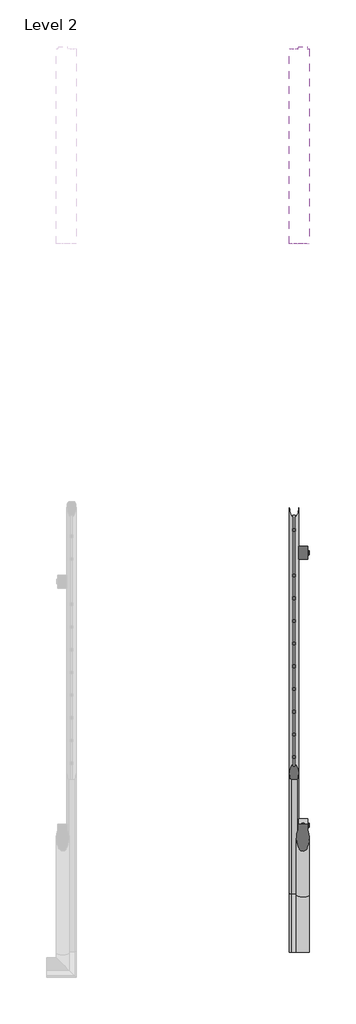
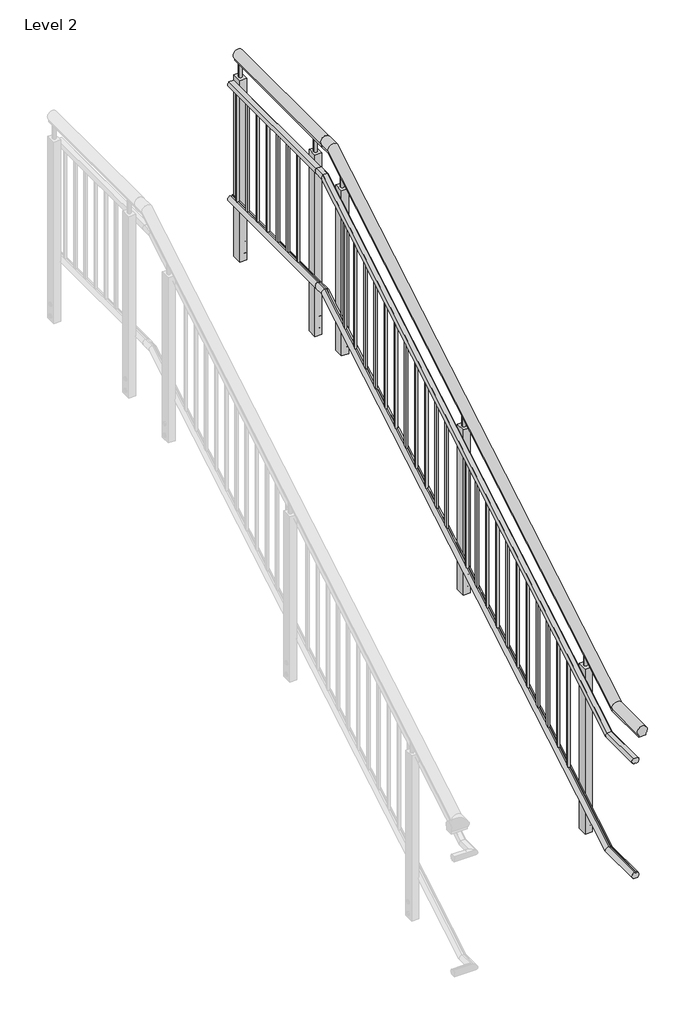
# One storey, part 4 of 7: 2 railings.
"""IFC4 building model written with IfcOpenShell, lengths in millimetres."""

from ifc_helpers import new_model, si_unit, point, frame, frame_2d, origin, place, context, project, spatial, polyline, circle_curve, ellipse_curve, trimmed, segment, composite_curve, outline, extrude, element, save
from ifc_brep_helpers import plane_surface, cylinder_surface, advanced_brep

model = new_model("IFC4")

# Units and contexts
model_context = context("Model", 3, world=origin())
ifc_project = project(units=[si_unit("LENGTHUNIT", "METRE", prefix="MILLI")], contexts=[model_context])

# Site, building, storey
site = spatial("IfcSite", under=ifc_project)
building = spatial("IfcBuilding", under=site)
storey = spatial("IfcBuildingStorey", under=building, Name="Level 2", Elevation=4000.0)

# Railings
placement = place(None, origin())
element("IfcRailing", 1, ObjectType="MT_Common stair with Balustrade_Level 3_Left", at=placement, inside=storey, context=model_context, shape_type="SolidModel", body=[
    advanced_brep(
    [(-7572.7617574, -13218.2332568, 5032.4599864), (-7614.4617574, -13218.2332568, 5032.4599864), (-7614.4617574, -13218.2332568, 5019.6542542), (-7572.7617574, -13218.2332568, 5019.6542542), (-7572.7617574, -12962.3792563, 5032.4599864), (-7614.4617574, -12962.3792563, 5032.4599864), (-7614.4617574, -12958.8717811, 5019.6542542), (-7572.7617574, -12958.8717811, 5019.6542542), (-7572.7617574, -10098.2332568, 6690.8057322), (-7572.7617574, -10098.2332568, 6678.0), (-7614.4617574, -10098.2332568, 6678.0), (-7614.4617574, -10098.2332568, 6690.8057322), (-7614.4617574, -10162.192754, 6690.8057322), (-7572.7617574, -10162.192754, 6690.8057322), (-7614.4617574, -10158.6852788, 6678.0), (-7572.7617574, -10158.6852788, 6678.0)],
    [
        (0, 1, circle_curve(frame((-7593.6117574, -13218.2332568, 5051.6542542), z_axis=(0.0, -1.0, 0.0), x_axis=(-1.0, 0.0, 0.0)), 28.3397674)),
        (1, 2),
        (2, 3),
        (3, 0),
        (0, 4),
        (4, 5, ellipse_curve(frame((-7593.6117574, -12967.6365441, 5051.6542542), z_axis=(0.0, -0.964476413803478, -0.2641689747430272), x_axis=(0.0, -0.2641689747430272, 0.9644764138034779)), 29.3835775, 28.3397674)),
        (5, 1),
        (5, 6),
        (6, 2),
        (6, 7),
        (7, 3),
        (7, 4),
        (8, 9),
        (9, 10),
        (10, 11),
        (11, 8, circle_curve(frame((-7593.6117574, -10098.2332568, 6710.0), z_axis=(0.0, 1.0, 0.0), x_axis=(-1.0, 0.0, 0.0)), 28.3397674)),
        (12, 13, ellipse_curve(frame((-7593.6117574, -10167.4500418, 6710.0), z_axis=(0.0, 0.964476413803478, 0.2641689747430272), x_axis=(0.0, -0.2641689747430272, 0.9644764138034779)), 29.3835775, 28.3397674)),
        (13, 8),
        (11, 12),
        (14, 12),
        (10, 14),
        (15, 14),
        (9, 15),
        (13, 15),
        (4, 13),
        (12, 5),
        (14, 6),
        (15, 7),
    ],
    [
        plane_surface(frame((-7593.6117574, -13218.2332568, 5019.6542542), z_axis=(0.0, -1.0, 0.0), x_axis=(0.0, 0.0, 1.0))),
        cylinder_surface(frame((-7593.6117574, -13218.2332568, 5051.6542542), z_axis=(0.0, -1.0, 0.0), x_axis=(-1.0, 0.0, 0.0)), 28.3397674),
        plane_surface(frame((-7614.4617574, -13218.2332568, 5032.4599864), z_axis=(-1.0, 0.0, 0.0), x_axis=(0.0, 1.0, 0.0))),
        plane_surface(frame((-7614.4617574, -13218.2332568, 5019.6542542), z_axis=(0.0, 0.0, -1.0), x_axis=(0.0, 1.0, 0.0))),
        plane_surface(frame((-7572.7617574, -13218.2332568, 5019.6542542), z_axis=(1.0, 0.0, 0.0), x_axis=(0.0, 1.0, 0.0))),
        plane_surface(frame((-7593.6117574, -10098.2332568, 6678.0), z_axis=(0.0, 1.0, 0.0), x_axis=(0.0, 0.0, 1.0))),
        cylinder_surface(frame((-7593.6117574, -10158.6852788, 6710.0), z_axis=(0.0, -1.0, 0.0), x_axis=(-1.0, 0.0, 0.0)), 28.3397674),
        plane_surface(frame((-7614.4617574, -10162.192754, 6690.8057322), z_axis=(-1.0, 0.0, 0.0), x_axis=(0.0, 1.0, 0.0))),
        plane_surface(frame((-7614.4617574, -10158.6852788, 6678.0), z_axis=(0.0, 0.0, -1.0), x_axis=(0.0, 1.0, 0.0))),
        plane_surface(frame((-7572.7617574, -10158.6852788, 6678.0), z_axis=(1.0, 0.0, 0.0), x_axis=(0.0, 1.0, 0.0))),
        cylinder_surface(frame((-7593.6117574, -12975.1780048, 5047.1879984), z_axis=(0.0, -0.8604295055664357, -0.5095694907965929), x_axis=(-1.0, 0.0, 0.0)), 28.3397674),
        plane_surface(frame((-7614.4617574, -12962.3792563, 5032.4599864), z_axis=(-1.0, 0.0, 0.0), x_axis=(0.0, 0.8604295055664357, 0.5095694907965929))),
        plane_surface(frame((-7614.4617574, -12958.8717811, 5019.6542542), z_axis=(0.0, 0.5095694907965929, -0.8604295055664357), x_axis=(0.0, 0.8604295055664357, 0.5095694907965929))),
        plane_surface(frame((-7572.7617574, -12958.8717811, 5019.6542542), z_axis=(1.0, 0.0, 0.0), x_axis=(0.0, 0.8604295055664357, 0.5095694907965929))),
    ],
    [
        (0, [[1, 2, 3, 4]]),
        (1, [[-1, 5, 6, 7]]),
        (2, [[-2, -7, 8, 9]]),
        (3, [[-3, -9, 10, 11]]),
        (4, [[-4, -11, 12, -5]]),
        (5, [[13, 14, 15, 16]]),
        (6, [[17, 18, -16, 19]]),
        (7, [[20, -19, -15, 21]]),
        (8, [[22, -21, -14, 23]]),
        (9, [[24, -23, -13, -18]]),
        (10, [[-6, 25, -17, 26]]),
        (11, [[-8, -26, -20, 27]]),
        (12, [[-10, -27, -22, 28]]),
        (13, [[-12, -28, -24, -25]]),
    ],
),
    advanced_brep(
    [(-7638.8279022, -10098.2332568, 6525.9454038), (-7645.9802814, -10098.2332568, 6560.0), (-7619.5227683, -10098.2332568, 6560.0), (-7627.2453076, -10098.2332568, 6525.7728949), (-7627.2453076, -10098.2332568, 6530.0), (-7638.8279022, -10098.2332568, 6530.0), (-7638.8279022, -10153.4662469, 6525.9454038), (-7645.9802814, -10162.7937614, 6560.0), (-7619.5227683, -10162.7937614, 6560.0), (-7627.2453076, -10153.4189969, 6525.7728949), (-7627.2453076, -10154.5767961, 6530.0), (-7638.8279022, -10154.5767961, 6530.0), (-7638.8279022, -13218.2332568, 4867.599658), (-7638.8279022, -13218.2332568, 4871.6542542), (-7627.2453076, -13218.2332568, 4871.6542542), (-7627.2453076, -13218.2332568, 4867.4271491), (-7619.5227683, -13218.2332568, 4901.6542542), (-7645.9802814, -13218.2332568, 4901.6542542), (-7638.8279022, -12953.6527492, 4867.599658), (-7638.8279022, -12954.7632984, 4871.6542542), (-7627.2453076, -12954.7632984, 4871.6542542), (-7627.2453076, -12953.6054992, 4867.4271491), (-7619.5227683, -12962.9802637, 4901.6542542), (-7645.9802814, -12962.9802637, 4901.6542542)],
    [
        (0, 1, circle_curve(frame((-7632.7515248, -10098.2332568, 6545.0), z_axis=(0.0, 1.0, 0.0), x_axis=(0.0, 0.0, 1.0)), 20.0)),
        (1, 2),
        (2, 3, circle_curve(frame((-7632.7515248, -10098.2332568, 6545.0), z_axis=(0.0, 1.0, 0.0), x_axis=(0.0, 0.0, 1.0)), 20.0)),
        (3, 4),
        (4, 5),
        (5, 0),
        (6, 7, ellipse_curve(frame((-7632.7515248, -10158.6852788, 6545.0), z_axis=(0.0, 0.964476413803478, 0.2641689747430272), x_axis=(0.0, -0.2641689747430272, 0.9644764138034779)), 20.7366398, 20.0)),
        (7, 1),
        (0, 6),
        (7, 8),
        (8, 2),
        (8, 9, ellipse_curve(frame((-7632.7515248, -10158.6852788, 6545.0), z_axis=(0.0, 0.964476413803478, 0.2641689747430272), x_axis=(0.0, -0.2641689747430272, 0.9644764138034779)), 20.7366398, 20.0)),
        (9, 3),
        (9, 10),
        (10, 4),
        (10, 11),
        (11, 5),
        (11, 6),
        (12, 13),
        (13, 14),
        (14, 15),
        (15, 16, circle_curve(frame((-7632.7515248, -13218.2332568, 4886.6542542), z_axis=(0.0, -1.0, 0.0), x_axis=(0.0, 0.0, 1.0)), 20.0)),
        (16, 17),
        (17, 12, circle_curve(frame((-7632.7515248, -13218.2332568, 4886.6542542), z_axis=(0.0, -1.0, 0.0), x_axis=(0.0, 0.0, 1.0)), 20.0)),
        (12, 18),
        (18, 19),
        (19, 13),
        (19, 20),
        (20, 14),
        (20, 21),
        (21, 15),
        (21, 22, ellipse_curve(frame((-7632.7515248, -12958.8717811, 4886.6542542), z_axis=(0.0, -0.964476413803478, -0.2641689747430272), x_axis=(0.0, -0.2641689747430272, 0.9644764138034779)), 20.7366398, 20.0)),
        (22, 16),
        (22, 23),
        (23, 17),
        (23, 18, ellipse_curve(frame((-7632.7515248, -12958.8717811, 4886.6542542), z_axis=(0.0, -0.964476413803478, -0.2641689747430272), x_axis=(0.0, -0.2641689747430272, 0.9644764138034779)), 20.7366398, 20.0)),
        (18, 6),
        (11, 19),
        (10, 20),
        (9, 21),
        (8, 22),
        (7, 23),
    ],
    [
        plane_surface(frame((-7632.7515248, -10098.2332568, 6545.0), z_axis=(0.0, 1.0, 0.0), x_axis=(0.0, 0.0, 1.0))),
        cylinder_surface(frame((-7632.7515248, -10158.6852788, 6545.0), z_axis=(0.0, -1.0, 0.0), x_axis=(0.0, 0.0, 1.0)), 20.0),
        plane_surface(frame((-7619.5227683, -10162.7937614, 6560.0), z_axis=(0.0, 0.0, 1.0), x_axis=(0.0, 1.0, 0.0))),
        plane_surface(frame((-7627.2453076, -10154.5767961, 6530.0), z_axis=(-1.0, 0.0, 0.0), x_axis=(0.0, 1.0, 0.0))),
        plane_surface(frame((-7638.8279022, -10154.5767961, 6530.0), z_axis=(0.0, 0.0, -1.0), x_axis=(0.0, 1.0, 0.0))),
        plane_surface(frame((-7638.8279022, -10153.4662469, 6525.9454038), z_axis=(1.0, 0.0, 0.0), x_axis=(0.0, 1.0, 0.0))),
        plane_surface(frame((-7632.7515248, -13218.2332568, 4886.6542542), z_axis=(0.0, -1.0, 0.0), x_axis=(0.0, 0.0, 1.0))),
        plane_surface(frame((-7638.8279022, -13218.2332568, 4867.599658), z_axis=(1.0, 0.0, 0.0), x_axis=(0.0, 1.0, 0.0))),
        plane_surface(frame((-7638.8279022, -13218.2332568, 4871.6542542), z_axis=(0.0, 0.0, -1.0), x_axis=(0.0, 1.0, 0.0))),
        plane_surface(frame((-7627.2453076, -13218.2332568, 4871.6542542), z_axis=(-1.0, 0.0, 0.0), x_axis=(0.0, 1.0, 0.0))),
        cylinder_surface(frame((-7632.7515248, -13218.2332568, 4886.6542542), z_axis=(0.0, -1.0, 0.0), x_axis=(0.0, 0.0, 1.0)), 20.0),
        plane_surface(frame((-7619.5227683, -13218.2332568, 4901.6542542), z_axis=(0.0, 0.0, 1.0), x_axis=(0.0, 1.0, 0.0))),
        plane_surface(frame((-7638.8279022, -12953.6527492, 4867.599658), z_axis=(1.0, 0.0, 0.0), x_axis=(0.0, 0.8604295055664357, 0.5095694907965929))),
        plane_surface(frame((-7638.8279022, -12954.7632984, 4871.6542542), z_axis=(0.0, 0.509569490796593, -0.8604295055664357), x_axis=(0.0, 0.8604295055664357, 0.509569490796593))),
        plane_surface(frame((-7627.2453076, -12954.7632984, 4871.6542542), z_axis=(-1.0, 0.0, 0.0), x_axis=(0.0, 0.8604295055664358, 0.5095694907965928))),
        cylinder_surface(frame((-7632.7515248, -12958.8717811, 4886.6542542), z_axis=(0.0, -0.8604295055664357, -0.5095694907965929), x_axis=(0.0, -0.5095694907965929, 0.8604295055664357)), 20.0),
        plane_surface(frame((-7619.5227683, -12962.9802637, 4901.6542542), z_axis=(0.0, -0.5095694907965932, 0.8604295055664356), x_axis=(0.0, 0.8604295055664356, 0.5095694907965932))),
    ],
    [
        (0, [[1, 2, 3, 4, 5, 6]]),
        (1, [[7, 8, -1, 9]]),
        (2, [[10, 11, -2, -8]]),
        (1, [[12, 13, -3, -11]]),
        (3, [[14, 15, -4, -13]]),
        (4, [[16, 17, -5, -15]]),
        (5, [[18, -9, -6, -17]]),
        (6, [[19, 20, 21, 22, 23, 24]]),
        (7, [[-19, 25, 26, 27]]),
        (8, [[-20, -27, 28, 29]]),
        (9, [[-21, -29, 30, 31]]),
        (10, [[-22, -31, 32, 33]]),
        (11, [[-23, -33, 34, 35]]),
        (10, [[-24, -35, 36, -25]]),
        (12, [[-26, 37, -18, 38]]),
        (13, [[-28, -38, -16, 39]]),
        (14, [[-30, -39, -14, 40]]),
        (15, [[-32, -40, -12, 41]]),
        (16, [[-34, -41, -10, 42]]),
        (15, [[-36, -42, -7, -37]]),
    ],
),
    advanced_brep(
    [(-7626.6751475, -10098.2332568, 5873.0545962), (-7619.5227683, -10098.2332568, 5839.0), (-7645.9802814, -10098.2332568, 5839.0), (-7638.257742, -10098.2332568, 5873.2271051), (-7638.257742, -10098.2332568, 5869.0), (-7626.6751475, -10098.2332568, 5869.0), (-7626.6751475, -10163.9043107, 5873.0545962), (-7619.5227683, -10154.5767961, 5839.0), (-7645.9802814, -10154.5767961, 5839.0), (-7638.257742, -10163.9515607, 5873.2271051), (-7638.257742, -10162.7937614, 5869.0), (-7626.6751475, -10162.7937614, 5869.0), (-7626.6751475, -13218.2332568, 4214.7088504), (-7626.6751475, -13218.2332568, 4210.6542542), (-7638.257742, -13218.2332568, 4210.6542542), (-7638.257742, -13218.2332568, 4214.8813593), (-7645.9802814, -13218.2332568, 4180.6542542), (-7619.5227683, -13218.2332568, 4180.6542542), (-7626.6751475, -12964.090813, 4214.7088504), (-7626.6751475, -12962.9802637, 4210.6542542), (-7638.257742, -12962.9802637, 4210.6542542), (-7638.257742, -12964.138063, 4214.8813593), (-7645.9802814, -12954.7632984, 4180.6542542), (-7619.5227683, -12954.7632984, 4180.6542542)],
    [
        (0, 1, circle_curve(frame((-7632.7515248, -10098.2332568, 5854.0), z_axis=(0.0, 1.0, 0.0), x_axis=(0.0, 0.0, -1.0)), 20.0)),
        (1, 2),
        (2, 3, circle_curve(frame((-7632.7515248, -10098.2332568, 5854.0), z_axis=(0.0, 1.0, 0.0), x_axis=(0.0, 0.0, -1.0)), 20.0)),
        (3, 4),
        (4, 5),
        (5, 0),
        (6, 7, ellipse_curve(frame((-7632.7515248, -10158.6852788, 5854.0), z_axis=(0.0, 0.964476413803478, 0.26416897474302703), x_axis=(0.0, -0.26416897474302736, 0.964476413803478)), 20.7366398, 20.0)),
        (7, 1),
        (0, 6),
        (7, 8),
        (8, 2),
        (8, 9, ellipse_curve(frame((-7632.7515248, -10158.6852788, 5854.0), z_axis=(0.0, 0.964476413803478, 0.26416897474302703), x_axis=(0.0, -0.26416897474302736, 0.964476413803478)), 20.7366398, 20.0)),
        (9, 3),
        (9, 10),
        (10, 4),
        (10, 11),
        (11, 5),
        (11, 6),
        (12, 13),
        (13, 14),
        (14, 15),
        (15, 16, circle_curve(frame((-7632.7515248, -13218.2332568, 4195.6542542), z_axis=(0.0, -1.0, 0.0), x_axis=(0.0, 0.0, -1.0)), 20.0)),
        (16, 17),
        (17, 12, circle_curve(frame((-7632.7515248, -13218.2332568, 4195.6542542), z_axis=(0.0, -1.0, 0.0), x_axis=(0.0, 0.0, -1.0)), 20.0)),
        (12, 18),
        (18, 19),
        (19, 13),
        (19, 20),
        (20, 14),
        (20, 21),
        (21, 15),
        (21, 22, ellipse_curve(frame((-7632.7515248, -12958.8717811, 4195.6542542), z_axis=(0.0, -0.964476413803478, -0.26416897474302703), x_axis=(0.0, -0.26416897474302736, 0.964476413803478)), 20.7366398, 20.0)),
        (22, 16),
        (22, 23),
        (23, 17),
        (23, 18, ellipse_curve(frame((-7632.7515248, -12958.8717811, 4195.6542542), z_axis=(0.0, -0.964476413803478, -0.26416897474302703), x_axis=(0.0, -0.26416897474302736, 0.964476413803478)), 20.7366398, 20.0)),
        (18, 6),
        (11, 19),
        (10, 20),
        (9, 21),
        (8, 22),
        (7, 23),
    ],
    [
        plane_surface(frame((-7632.7515248, -10098.2332568, 5854.0), z_axis=(0.0, 1.0, 0.0), x_axis=(0.0, 0.0, 1.0))),
        cylinder_surface(frame((-7632.7515248, -10158.6852788, 5854.0), z_axis=(0.0, -1.0, 0.0), x_axis=(0.0, 0.0, -1.0)), 20.0),
        plane_surface(frame((-7645.9802814, -10154.5767961, 5839.0), z_axis=(0.0, 0.0, -1.0), x_axis=(0.0, 1.0, 0.0))),
        plane_surface(frame((-7638.257742, -10162.7937614, 5869.0), z_axis=(1.0, 0.0, 0.0), x_axis=(0.0, 1.0, 0.0))),
        plane_surface(frame((-7626.6751475, -10162.7937614, 5869.0), z_axis=(0.0, 0.0, 1.0), x_axis=(0.0, 1.0, 0.0))),
        plane_surface(frame((-7626.6751475, -10163.9043107, 5873.0545962), z_axis=(-1.0, 0.0, 0.0), x_axis=(0.0, 1.0, 0.0))),
        plane_surface(frame((-7632.7515248, -13218.2332568, 4195.6542542), z_axis=(0.0, -1.0, 0.0), x_axis=(0.0, 0.0, 1.0))),
        plane_surface(frame((-7626.6751475, -13218.2332568, 4214.7088504), z_axis=(-1.0, 0.0, 0.0), x_axis=(0.0, 1.0, 0.0))),
        plane_surface(frame((-7626.6751475, -13218.2332568, 4210.6542542), z_axis=(0.0, 0.0, 1.0), x_axis=(0.0, 1.0, 0.0))),
        plane_surface(frame((-7638.257742, -13218.2332568, 4210.6542542), z_axis=(1.0, 0.0, 0.0), x_axis=(0.0, 1.0, 0.0))),
        cylinder_surface(frame((-7632.7515248, -13218.2332568, 4195.6542542), z_axis=(0.0, -1.0, 0.0), x_axis=(0.0, 0.0, -1.0)), 20.0),
        plane_surface(frame((-7645.9802814, -13218.2332568, 4180.6542542), z_axis=(0.0, 0.0, -1.0), x_axis=(0.0, 1.0, 0.0))),
        plane_surface(frame((-7626.6751475, -12964.090813, 4214.7088504), z_axis=(-1.0000000000000002, 0.0, 0.0), x_axis=(0.0, 0.860429505566436, 0.5095694907965925))),
        plane_surface(frame((-7626.6751475, -12962.9802637, 4210.6542542), z_axis=(0.0, -0.5095694907965928, 0.8604295055664358), x_axis=(0.0, 0.8604295055664358, 0.5095694907965928))),
        plane_surface(frame((-7638.257742, -12962.9802637, 4210.6542542), z_axis=(1.0, 0.0, 0.0), x_axis=(0.0, 0.8604295055664358, 0.5095694907965928))),
        cylinder_surface(frame((-7632.7515248, -12958.8717811, 4195.6542542), z_axis=(0.0, -0.8604295055664359, -0.5095694907965926), x_axis=(0.0, 0.5095694907965926, -0.8604295055664359)), 20.0),
        plane_surface(frame((-7645.9802814, -12954.7632984, 4180.6542542), z_axis=(0.0, 0.5095694907965928, -0.8604295055664358), x_axis=(0.0, 0.8604295055664358, 0.5095694907965928))),
    ],
    [
        (0, [[1, 2, 3, 4, 5, 6]]),
        (1, [[7, 8, -1, 9]]),
        (2, [[10, 11, -2, -8]]),
        (1, [[12, 13, -3, -11]]),
        (3, [[14, 15, -4, -13]]),
        (4, [[16, 17, -5, -15]]),
        (5, [[18, -9, -6, -17]]),
        (6, [[19, 20, 21, 22, 23, 24]]),
        (7, [[-19, 25, 26, 27]]),
        (8, [[-20, -27, 28, 29]]),
        (9, [[-21, -29, 30, 31]]),
        (10, [[-22, -31, 32, 33]]),
        (11, [[-23, -33, 34, 35]]),
        (10, [[-24, -35, 36, -25]]),
        (12, [[-26, 37, -18, 38]]),
        (13, [[-28, -38, -16, 39]]),
        (14, [[-30, -39, -14, 40]]),
        (15, [[-32, -40, -12, 41]]),
        (16, [[-34, -41, -10, 42]]),
        (15, [[-36, -42, -7, -37]]),
    ],
),
    extrude(outline(polyline([(-10258.7785299, 5577.0464014), (-10248.7785299, 5571.2728987), (-10248.7785299, 5559.7258933), (-10258.7785299, 5553.9523906), (-10268.7785299, 5559.7258933), (-10268.7785299, 5571.2728987), (-10258.7785299, 5577.0464014)])), frame((-7572.7515248, 0.0, 0.0), z_axis=(1.0, 0.0, 0.0), x_axis=(0.0, 1.0, 0.0)), (0.0, 0.0, 1.0), 4.0),
    extrude(outline(polyline([(-10258.7785299, 5647.0464014), (-10248.7785299, 5641.2728987), (-10248.7785299, 5629.7258933), (-10258.7785299, 5623.9523906), (-10268.7785299, 5629.7258933), (-10268.7785299, 5641.2728987), (-10258.7785299, 5647.0464014)])), frame((-7572.7515248, 0.0, 0.0), z_axis=(1.0, 0.0, 0.0), x_axis=(0.0, 1.0, 0.0)), (0.0, 0.0, 1.0), 4.0),
    extrude(outline(composite_curve([segment(trimmed(circle_curve(frame_2d((-10258.7785299, 5565.499396)), 8.0), [point((-10266.7785299, 5565.499396))], [point((-10250.7785299, 5565.499396))], False, "CARTESIAN"), True, "CONTINUOUS"), segment(trimmed(circle_curve(frame_2d((-10258.7785299, 5565.499396)), 8.0), [point((-10250.7785299, 5565.499396))], [point((-10266.7785299, 5565.499396))], False, "CARTESIAN"), True, "CONTINUOUS")], self_intersect=False)), frame((-7572.7515248, 0.0, 0.0), z_axis=(1.0, 0.0, 0.0), x_axis=(0.0, 1.0, 0.0)), (0.0, 0.0, 1.0), 6.0),
    extrude(outline(composite_curve([segment(trimmed(circle_curve(frame_2d((-10258.7785299, 5635.499396)), 8.0), [point((-10266.7785299, 5635.499396))], [point((-10250.7785299, 5635.499396))], False, "CARTESIAN"), True, "CONTINUOUS"), segment(trimmed(circle_curve(frame_2d((-10258.7785299, 5635.499396)), 8.0), [point((-10250.7785299, 5635.499396))], [point((-10266.7785299, 5635.499396))], False, "CARTESIAN"), True, "CONTINUOUS")], self_intersect=False)), frame((-7572.7515248, 0.0, 0.0), z_axis=(1.0, 0.0, 0.0), x_axis=(0.0, 1.0, 0.0)), (0.0, 0.0, 1.0), 6.0),
    extrude(outline(composite_curve([segment(trimmed(circle_curve(frame_2d((-7592.7515248, -10258.7785299)), 10.0), [point((-7582.7515248, -10258.7785299))], [point((-7602.7515248, -10258.7785299))], False, "CARTESIAN"), True, "CONTINUOUS"), segment(trimmed(circle_curve(frame_2d((-7592.7515248, -10258.7785299)), 10.0), [point((-7602.7515248, -10258.7785299))], [point((-7582.7515248, -10258.7785299))], False, "CARTESIAN"), True, "CONTINUOUS")], self_intersect=False)), frame((0.0, 0.0, 6529.499396), z_axis=(0.0, 0.0, 1.0), x_axis=(1.0, 0.0, 0.0)), (0.0, 0.0, 1.0), 100.0),
    extrude(outline(polyline([(-7612.7515248, -10287.7785299), (-7612.7515248, -10229.7785299), (-7572.7515248, -10229.7785299), (-7572.7515248, -10287.7785299), (-7612.7515248, -10287.7785299)])), frame((0.0, 0.0, 5535.499396), z_axis=(0.0, 0.0, 1.0), x_axis=(1.0, 0.0, 0.0)), (0.0, 0.0, 1.0), 994.0),
    extrude(outline(polyline([(-7638.7515248, -10364.7785299), (-7638.7515248, -10352.7785299), (-7626.7515248, -10352.7785299), (-7626.7515248, -10364.7785299), (-7638.7515248, -10364.7785299)])), frame((0.0, 0.0, 5746.2767069), z_axis=(0.0, 0.0, 1.0), x_axis=(1.0, 0.0, 0.0)), (0.0, 0.0, 1.0), 671.0),
    extrude(outline(polyline([(-7638.7515248, -10464.7785299), (-7638.7515248, -10452.7785299), (-7626.7515248, -10452.7785299), (-7626.7515248, -10464.7785299), (-7638.7515248, -10464.7785299)])), frame((0.0, 0.0, 5687.0540179), z_axis=(0.0, 0.0, 1.0), x_axis=(1.0, 0.0, 0.0)), (0.0, 0.0, 1.0), 671.0),
    extrude(outline(polyline([(-7638.7515248, -10564.7785299), (-7638.7515248, -10552.7785299), (-7626.7515248, -10552.7785299), (-7626.7515248, -10564.7785299), (-7638.7515248, -10564.7785299)])), frame((0.0, 0.0, 5627.8313288), z_axis=(0.0, 0.0, 1.0), x_axis=(1.0, 0.0, 0.0)), (0.0, 0.0, 1.0), 671.0),
    extrude(outline(polyline([(-7638.7515248, -10664.7785299), (-7638.7515248, -10652.7785299), (-7626.7515248, -10652.7785299), (-7626.7515248, -10664.7785299), (-7638.7515248, -10664.7785299)])), frame((0.0, 0.0, 5568.6086397), z_axis=(0.0, 0.0, 1.0), x_axis=(1.0, 0.0, 0.0)), (0.0, 0.0, 1.0), 671.0),
    extrude(outline(polyline([(-7638.7515248, -10764.7785299), (-7638.7515248, -10752.7785299), (-7626.7515248, -10752.7785299), (-7626.7515248, -10764.7785299), (-7638.7515248, -10764.7785299)])), frame((0.0, 0.0, 5509.3859506), z_axis=(0.0, 0.0, 1.0), x_axis=(1.0, 0.0, 0.0)), (0.0, 0.0, 1.0), 671.0),
    extrude(outline(polyline([(-7638.7515248, -10864.7785299), (-7638.7515248, -10852.7785299), (-7626.7515248, -10852.7785299), (-7626.7515248, -10864.7785299), (-7638.7515248, -10864.7785299)])), frame((0.0, 0.0, 5450.1632616), z_axis=(0.0, 0.0, 1.0), x_axis=(1.0, 0.0, 0.0)), (0.0, 0.0, 1.0), 671.0),
    extrude(outline(polyline([(-7638.7515248, -10964.7785299), (-7638.7515248, -10952.7785299), (-7626.7515248, -10952.7785299), (-7626.7515248, -10964.7785299), (-7638.7515248, -10964.7785299)])), frame((0.0, 0.0, 5390.9405725), z_axis=(0.0, 0.0, 1.0), x_axis=(1.0, 0.0, 0.0)), (0.0, 0.0, 1.0), 671.0),
    extrude(outline(polyline([(-7638.7515248, -11064.7785299), (-7638.7515248, -11052.7785299), (-7626.7515248, -11052.7785299), (-7626.7515248, -11064.7785299), (-7638.7515248, -11064.7785299)])), frame((0.0, 0.0, 5331.7178834), z_axis=(0.0, 0.0, 1.0), x_axis=(1.0, 0.0, 0.0)), (0.0, 0.0, 1.0), 671.0),
    extrude(outline(polyline([(-7638.7515248, -11164.7785299), (-7638.7515248, -11152.7785299), (-7626.7515248, -11152.7785299), (-7626.7515248, -11164.7785299), (-7638.7515248, -11164.7785299)])), frame((0.0, 0.0, 5272.4951943), z_axis=(0.0, 0.0, 1.0), x_axis=(1.0, 0.0, 0.0)), (0.0, 0.0, 1.0), 671.0),
    extrude(outline(polyline([(-7638.7515248, -11264.7785299), (-7638.7515248, -11252.7785299), (-7626.7515248, -11252.7785299), (-7626.7515248, -11264.7785299), (-7638.7515248, -11264.7785299)])), frame((0.0, 0.0, 5213.2725053), z_axis=(0.0, 0.0, 1.0), x_axis=(1.0, 0.0, 0.0)), (0.0, 0.0, 1.0), 671.0),
    extrude(outline(polyline([(-7638.7515248, -11364.7785299), (-7638.7515248, -11352.7785299), (-7626.7515248, -11352.7785299), (-7626.7515248, -11364.7785299), (-7638.7515248, -11364.7785299)])), frame((0.0, 0.0, 5154.0498162), z_axis=(0.0, 0.0, 1.0), x_axis=(1.0, 0.0, 0.0)), (0.0, 0.0, 1.0), 671.0),
    extrude(outline(polyline([(-11458.7785299, 4866.3741325), (-11448.7785299, 4860.6006298), (-11448.7785299, 4849.0536244), (-11458.7785299, 4843.2801217), (-11468.7785299, 4849.0536244), (-11468.7785299, 4860.6006298), (-11458.7785299, 4866.3741325)])), frame((-7572.7515248, 0.0, 0.0), z_axis=(1.0, 0.0, 0.0), x_axis=(0.0, 1.0, 0.0)), (0.0, 0.0, 1.0), 4.0),
    extrude(outline(polyline([(-11458.7785299, 4936.3741325), (-11448.7785299, 4930.6006298), (-11448.7785299, 4919.0536244), (-11458.7785299, 4913.2801217), (-11468.7785299, 4919.0536244), (-11468.7785299, 4930.6006298), (-11458.7785299, 4936.3741325)])), frame((-7572.7515248, 0.0, 0.0), z_axis=(1.0, 0.0, 0.0), x_axis=(0.0, 1.0, 0.0)), (0.0, 0.0, 1.0), 4.0),
    extrude(outline(composite_curve([segment(trimmed(circle_curve(frame_2d((-11458.7785299, 4854.8271271)), 8.0), [point((-11466.7785299, 4854.8271271))], [point((-11450.7785299, 4854.8271271))], False, "CARTESIAN"), True, "CONTINUOUS"), segment(trimmed(circle_curve(frame_2d((-11458.7785299, 4854.8271271)), 8.0), [point((-11450.7785299, 4854.8271271))], [point((-11466.7785299, 4854.8271271))], False, "CARTESIAN"), True, "CONTINUOUS")], self_intersect=False)), frame((-7572.7515248, 0.0, 0.0), z_axis=(1.0, 0.0, 0.0), x_axis=(0.0, 1.0, 0.0)), (0.0, 0.0, 1.0), 6.0),
    extrude(outline(composite_curve([segment(trimmed(circle_curve(frame_2d((-11458.7785299, 4924.8271271)), 8.0), [point((-11466.7785299, 4924.8271271))], [point((-11450.7785299, 4924.8271271))], False, "CARTESIAN"), True, "CONTINUOUS"), segment(trimmed(circle_curve(frame_2d((-11458.7785299, 4924.8271271)), 8.0), [point((-11450.7785299, 4924.8271271))], [point((-11466.7785299, 4924.8271271))], False, "CARTESIAN"), True, "CONTINUOUS")], self_intersect=False)), frame((-7572.7515248, 0.0, 0.0), z_axis=(1.0, 0.0, 0.0), x_axis=(0.0, 1.0, 0.0)), (0.0, 0.0, 1.0), 6.0),
    extrude(outline(composite_curve([segment(trimmed(circle_curve(frame_2d((-7592.7515248, -11458.7785299)), 10.0), [point((-7582.7515248, -11458.7785299))], [point((-7602.7515248, -11458.7785299))], False, "CARTESIAN"), True, "CONTINUOUS"), segment(trimmed(circle_curve(frame_2d((-7592.7515248, -11458.7785299)), 10.0), [point((-7602.7515248, -11458.7785299))], [point((-7582.7515248, -11458.7785299))], False, "CARTESIAN"), True, "CONTINUOUS")], self_intersect=False)), frame((0.0, 0.0, 5818.8271271), z_axis=(0.0, 0.0, 1.0), x_axis=(1.0, 0.0, 0.0)), (0.0, 0.0, 1.0), 100.0),
    extrude(outline(polyline([(-7612.7515248, -11487.7785299), (-7612.7515248, -11429.7785299), (-7572.7515248, -11429.7785299), (-7572.7515248, -11487.7785299), (-7612.7515248, -11487.7785299)])), frame((0.0, 0.0, 4824.8271271), z_axis=(0.0, 0.0, 1.0), x_axis=(1.0, 0.0, 0.0)), (0.0, 0.0, 1.0), 994.0),
    extrude(outline(polyline([(-7638.7515248, -11564.7785299), (-7638.7515248, -11552.7785299), (-7626.7515248, -11552.7785299), (-7626.7515248, -11564.7785299), (-7638.7515248, -11564.7785299)])), frame((0.0, 0.0, 5035.604438), z_axis=(0.0, 0.0, 1.0), x_axis=(1.0, 0.0, 0.0)), (0.0, 0.0, 1.0), 671.0),
    extrude(outline(polyline([(-7638.7515248, -11664.7785299), (-7638.7515248, -11652.7785299), (-7626.7515248, -11652.7785299), (-7626.7515248, -11664.7785299), (-7638.7515248, -11664.7785299)])), frame((0.0, 0.0, 4976.3817489), z_axis=(0.0, 0.0, 1.0), x_axis=(1.0, 0.0, 0.0)), (0.0, 0.0, 1.0), 671.0),
    extrude(outline(polyline([(-7638.7515248, -11764.7785299), (-7638.7515248, -11752.7785299), (-7626.7515248, -11752.7785299), (-7626.7515248, -11764.7785299), (-7638.7515248, -11764.7785299)])), frame((0.0, 0.0, 4917.1590599), z_axis=(0.0, 0.0, 1.0), x_axis=(1.0, 0.0, 0.0)), (0.0, 0.0, 1.0), 671.0),
    extrude(outline(polyline([(-7638.7515248, -11864.7785299), (-7638.7515248, -11852.7785299), (-7626.7515248, -11852.7785299), (-7626.7515248, -11864.7785299), (-7638.7515248, -11864.7785299)])), frame((0.0, 0.0, 4857.9363708), z_axis=(0.0, 0.0, 1.0), x_axis=(1.0, 0.0, 0.0)), (0.0, 0.0, 1.0), 671.0),
    extrude(outline(polyline([(-7638.7515248, -11964.7785299), (-7638.7515248, -11952.7785299), (-7626.7515248, -11952.7785299), (-7626.7515248, -11964.7785299), (-7638.7515248, -11964.7785299)])), frame((0.0, 0.0, 4798.7136817), z_axis=(0.0, 0.0, 1.0), x_axis=(1.0, 0.0, 0.0)), (0.0, 0.0, 1.0), 671.0),
    extrude(outline(polyline([(-7638.7515248, -12064.7785299), (-7638.7515248, -12052.7785299), (-7626.7515248, -12052.7785299), (-7626.7515248, -12064.7785299), (-7638.7515248, -12064.7785299)])), frame((0.0, 0.0, 4739.4909926), z_axis=(0.0, 0.0, 1.0), x_axis=(1.0, 0.0, 0.0)), (0.0, 0.0, 1.0), 671.0),
    extrude(outline(polyline([(-7638.7515248, -12164.7785299), (-7638.7515248, -12152.7785299), (-7626.7515248, -12152.7785299), (-7626.7515248, -12164.7785299), (-7638.7515248, -12164.7785299)])), frame((0.0, 0.0, 4680.2683036), z_axis=(0.0, 0.0, 1.0), x_axis=(1.0, 0.0, 0.0)), (0.0, 0.0, 1.0), 671.0),
    extrude(outline(polyline([(-7638.7515248, -12264.7785299), (-7638.7515248, -12252.7785299), (-7626.7515248, -12252.7785299), (-7626.7515248, -12264.7785299), (-7638.7515248, -12264.7785299)])), frame((0.0, 0.0, 4621.0456145), z_axis=(0.0, 0.0, 1.0), x_axis=(1.0, 0.0, 0.0)), (0.0, 0.0, 1.0), 671.0),
    extrude(outline(polyline([(-7638.7515248, -12364.7785299), (-7638.7515248, -12352.7785299), (-7626.7515248, -12352.7785299), (-7626.7515248, -12364.7785299), (-7638.7515248, -12364.7785299)])), frame((0.0, 0.0, 4561.8229254), z_axis=(0.0, 0.0, 1.0), x_axis=(1.0, 0.0, 0.0)), (0.0, 0.0, 1.0), 671.0),
    extrude(outline(polyline([(-7638.7515248, -12464.7785299), (-7638.7515248, -12452.7785299), (-7626.7515248, -12452.7785299), (-7626.7515248, -12464.7785299), (-7638.7515248, -12464.7785299)])), frame((0.0, 0.0, 4502.6002363), z_axis=(0.0, 0.0, 1.0), x_axis=(1.0, 0.0, 0.0)), (0.0, 0.0, 1.0), 671.0),
    extrude(outline(polyline([(-7638.7515248, -12564.7785299), (-7638.7515248, -12552.7785299), (-7626.7515248, -12552.7785299), (-7626.7515248, -12564.7785299), (-7638.7515248, -12564.7785299)])), frame((0.0, 0.0, 4443.3775473), z_axis=(0.0, 0.0, 1.0), x_axis=(1.0, 0.0, 0.0)), (0.0, 0.0, 1.0), 671.0),
    extrude(outline(polyline([(-12658.7785299, 4155.7018636), (-12648.7785299, 4149.9283609), (-12648.7785299, 4138.3813555), (-12658.7785299, 4132.6078528), (-12668.7785299, 4138.3813555), (-12668.7785299, 4149.9283609), (-12658.7785299, 4155.7018636)])), frame((-7572.7515248, 0.0, 0.0), z_axis=(1.0, 0.0, 0.0), x_axis=(0.0, 1.0, 0.0)), (0.0, 0.0, 1.0), 4.0),
    extrude(outline(polyline([(-12658.7785299, 4225.7018636), (-12648.7785299, 4219.9283609), (-12648.7785299, 4208.3813555), (-12658.7785299, 4202.6078528), (-12668.7785299, 4208.3813555), (-12668.7785299, 4219.9283609), (-12658.7785299, 4225.7018636)])), frame((-7572.7515248, 0.0, 0.0), z_axis=(1.0, 0.0, 0.0), x_axis=(0.0, 1.0, 0.0)), (0.0, 0.0, 1.0), 4.0),
    extrude(outline(composite_curve([segment(trimmed(circle_curve(frame_2d((-12658.7785299, 4144.1548582)), 8.0), [point((-12666.7785299, 4144.1548582))], [point((-12650.7785299, 4144.1548582))], False, "CARTESIAN"), True, "CONTINUOUS"), segment(trimmed(circle_curve(frame_2d((-12658.7785299, 4144.1548582)), 8.0), [point((-12650.7785299, 4144.1548582))], [point((-12666.7785299, 4144.1548582))], False, "CARTESIAN"), True, "CONTINUOUS")], self_intersect=False)), frame((-7572.7515248, 0.0, 0.0), z_axis=(1.0, 0.0, 0.0), x_axis=(0.0, 1.0, 0.0)), (0.0, 0.0, 1.0), 6.0),
    extrude(outline(composite_curve([segment(trimmed(circle_curve(frame_2d((-12658.7785299, 4214.1548582)), 8.0), [point((-12666.7785299, 4214.1548582))], [point((-12650.7785299, 4214.1548582))], False, "CARTESIAN"), True, "CONTINUOUS"), segment(trimmed(circle_curve(frame_2d((-12658.7785299, 4214.1548582)), 8.0), [point((-12650.7785299, 4214.1548582))], [point((-12666.7785299, 4214.1548582))], False, "CARTESIAN"), True, "CONTINUOUS")], self_intersect=False)), frame((-7572.7515248, 0.0, 0.0), z_axis=(1.0, 0.0, 0.0), x_axis=(0.0, 1.0, 0.0)), (0.0, 0.0, 1.0), 6.0),
    extrude(outline(composite_curve([segment(trimmed(circle_curve(frame_2d((-7592.7515248, -12658.7785299)), 10.0), [point((-7582.7515248, -12658.7785299))], [point((-7602.7515248, -12658.7785299))], False, "CARTESIAN"), True, "CONTINUOUS"), segment(trimmed(circle_curve(frame_2d((-7592.7515248, -12658.7785299)), 10.0), [point((-7602.7515248, -12658.7785299))], [point((-7582.7515248, -12658.7785299))], False, "CARTESIAN"), True, "CONTINUOUS")], self_intersect=False)), frame((0.0, 0.0, 5108.1548582), z_axis=(0.0, 0.0, 1.0), x_axis=(1.0, 0.0, 0.0)), (0.0, 0.0, 1.0), 100.0),
    extrude(outline(polyline([(-7612.7515248, -12687.7785299), (-7612.7515248, -12629.7785299), (-7572.7515248, -12629.7785299), (-7572.7515248, -12687.7785299), (-7612.7515248, -12687.7785299)])), frame((0.0, 0.0, 4114.1548582), z_axis=(0.0, 0.0, 1.0), x_axis=(1.0, 0.0, 0.0)), (0.0, 0.0, 1.0), 994.0),
])
element("IfcRailing", 2, ObjectType="MT_Common stair with Balustrade_Level 4", at=placement, inside=storey, context=model_context, shape_type="SweptSolid", body=[
    extrude(outline(composite_curve([segment(trimmed(circle_curve(frame_2d((6710.0, -7594.4117574)), 28.3397674), [point((6690.8057322, -7573.5617574))], [point((6690.8057322, -7615.2617574))], False, "CARTESIAN"), True, "CONTINUOUS"), segment(polyline([(6690.8057322, -7615.2617574), (6678.0, -7615.2617574), (6678.0, -7573.5617574), (6690.8057322, -7573.5617574)]), True, "CONTINUOUS")], self_intersect=False)), frame((0.0, -10098.2332568, 0.0), z_axis=(0.0, 1.0, 0.0), x_axis=(0.0, 0.0, 1.0)), (0.0, 0.0, 1.0), 860.0),
    extrude(outline(composite_curve([segment(polyline([(6525.9454038, -7639.6279022), (6530.0, -7639.6279022), (6530.0, -7628.0453076), (6525.7728949, -7628.0453076)]), True, "CONTINUOUS"), segment(trimmed(circle_curve(frame_2d((6545.0, -7633.5515248)), 20.0), [point((6525.7728949, -7628.0453076))], [point((6560.0, -7620.3227683))], False, "CARTESIAN"), True, "CONTINUOUS"), segment(polyline([(6560.0, -7620.3227683), (6560.0, -7646.7802814)]), True, "CONTINUOUS"), segment(trimmed(circle_curve(frame_2d((6545.0, -7633.5515248)), 20.0), [point((6560.0, -7646.7802814))], [point((6525.9454038, -7639.6279022))], False, "CARTESIAN"), True, "CONTINUOUS")], self_intersect=False)), frame((0.0, -10098.2332568, 0.0), z_axis=(0.0, 1.0, 0.0), x_axis=(0.0, 0.0, 1.0)), (0.0, 0.0, 1.0), 860.0),
    extrude(outline(composite_curve([segment(polyline([(5873.2545962, -7627.4751475), (5869.2, -7627.4751475), (5869.2, -7639.057742), (5873.4271051, -7639.057742)]), True, "CONTINUOUS"), segment(trimmed(circle_curve(frame_2d((5854.2, -7633.5515248)), 20.0), [point((5873.4271051, -7639.057742))], [point((5839.2, -7646.7802814))], False, "CARTESIAN"), True, "CONTINUOUS"), segment(polyline([(5839.2, -7646.7802814), (5839.2, -7620.3227683)]), True, "CONTINUOUS"), segment(trimmed(circle_curve(frame_2d((5854.2, -7633.5515248)), 20.0), [point((5839.2, -7620.3227683))], [point((5873.2545962, -7627.4751475))], False, "CARTESIAN"), True, "CONTINUOUS")], self_intersect=False)), frame((0.0, -10098.2332568, 0.0), z_axis=(0.0, 1.0, 0.0), x_axis=(0.0, 0.0, 1.0)), (0.0, 0.0, 1.0), 860.0),
    extrude(outline(polyline([(-7639.5515248, -9304.2332568), (-7639.5515248, -9292.2332568), (-7627.5515248, -9292.2332568), (-7627.5515248, -9304.2332568), (-7639.5515248, -9304.2332568)])), frame((0.0, 0.0, 5873.4271051), z_axis=(0.0, 0.0, 1.0), x_axis=(1.0, 0.0, 0.0)), (0.0, 0.0, 1.0), 656.5728949),
    extrude(outline(polyline([(-7639.5515248, -9404.2332568), (-7639.5515248, -9392.2332568), (-7627.5515248, -9392.2332568), (-7627.5515248, -9404.2332568), (-7639.5515248, -9404.2332568)])), frame((0.0, 0.0, 5873.4271051), z_axis=(0.0, 0.0, 1.0), x_axis=(1.0, 0.0, 0.0)), (0.0, 0.0, 1.0), 656.5728949),
    extrude(outline(polyline([(-7639.5515248, -9504.2332568), (-7639.5515248, -9492.2332568), (-7627.5515248, -9492.2332568), (-7627.5515248, -9504.2332568), (-7639.5515248, -9504.2332568)])), frame((0.0, 0.0, 5873.4271051), z_axis=(0.0, 0.0, 1.0), x_axis=(1.0, 0.0, 0.0)), (0.0, 0.0, 1.0), 656.5728949),
    extrude(outline(polyline([(-7639.5515248, -9604.2332568), (-7639.5515248, -9592.2332568), (-7627.5515248, -9592.2332568), (-7627.5515248, -9604.2332568), (-7639.5515248, -9604.2332568)])), frame((0.0, 0.0, 5873.4271051), z_axis=(0.0, 0.0, 1.0), x_axis=(1.0, 0.0, 0.0)), (0.0, 0.0, 1.0), 656.5728949),
    extrude(outline(polyline([(-7639.5515248, -9704.2332568), (-7639.5515248, -9692.2332568), (-7627.5515248, -9692.2332568), (-7627.5515248, -9704.2332568), (-7639.5515248, -9704.2332568)])), frame((0.0, 0.0, 5873.4271051), z_axis=(0.0, 0.0, 1.0), x_axis=(1.0, 0.0, 0.0)), (0.0, 0.0, 1.0), 656.5728949),
    extrude(outline(polyline([(-7639.5515248, -9804.2332568), (-7639.5515248, -9792.2332568), (-7627.5515248, -9792.2332568), (-7627.5515248, -9804.2332568), (-7639.5515248, -9804.2332568)])), frame((0.0, 0.0, 5873.4271051), z_axis=(0.0, 0.0, 1.0), x_axis=(1.0, 0.0, 0.0)), (0.0, 0.0, 1.0), 656.5728949),
    extrude(outline(polyline([(-7639.5515248, -9904.2332568), (-7639.5515248, -9892.2332568), (-7627.5515248, -9892.2332568), (-7627.5515248, -9904.2332568), (-7639.5515248, -9904.2332568)])), frame((0.0, 0.0, 5873.4271051), z_axis=(0.0, 0.0, 1.0), x_axis=(1.0, 0.0, 0.0)), (0.0, 0.0, 1.0), 656.5728949),
    extrude(outline(polyline([(-9258.2332568, 5535.7470054), (-9248.2332568, 5529.9735027), (-9248.2332568, 5518.4264973), (-9258.2332568, 5512.6529946), (-9268.2332568, 5518.4264973), (-9268.2332568, 5529.9735027), (-9258.2332568, 5535.7470054)])), frame((-7573.5515248, 0.0, 0.0), z_axis=(1.0, 0.0, 0.0), x_axis=(0.0, 1.0, 0.0)), (0.0, 0.0, 1.0), 4.0),
    extrude(outline(polyline([(-9258.2332568, 5605.7470054), (-9248.2332568, 5599.9735027), (-9248.2332568, 5588.4264973), (-9258.2332568, 5582.6529946), (-9268.2332568, 5588.4264973), (-9268.2332568, 5599.9735027), (-9258.2332568, 5605.7470054)])), frame((-7573.5515248, 0.0, 0.0), z_axis=(1.0, 0.0, 0.0), x_axis=(0.0, 1.0, 0.0)), (0.0, 0.0, 1.0), 4.0),
    extrude(outline(composite_curve([segment(trimmed(circle_curve(frame_2d((-9258.2332568, 5524.2)), 8.0), [point((-9266.2332568, 5524.2))], [point((-9250.2332568, 5524.2))], False, "CARTESIAN"), True, "CONTINUOUS"), segment(trimmed(circle_curve(frame_2d((-9258.2332568, 5524.2)), 8.0), [point((-9250.2332568, 5524.2))], [point((-9266.2332568, 5524.2))], False, "CARTESIAN"), True, "CONTINUOUS")], self_intersect=False)), frame((-7573.5515248, 0.0, 0.0), z_axis=(1.0, 0.0, 0.0), x_axis=(0.0, 1.0, 0.0)), (0.0, 0.0, 1.0), 6.0),
    extrude(outline(composite_curve([segment(trimmed(circle_curve(frame_2d((-9258.2332568, 5594.2)), 8.0), [point((-9266.2332568, 5594.2))], [point((-9250.2332568, 5594.2))], False, "CARTESIAN"), True, "CONTINUOUS"), segment(trimmed(circle_curve(frame_2d((-9258.2332568, 5594.2)), 8.0), [point((-9250.2332568, 5594.2))], [point((-9266.2332568, 5594.2))], False, "CARTESIAN"), True, "CONTINUOUS")], self_intersect=False)), frame((-7573.5515248, 0.0, 0.0), z_axis=(1.0, 0.0, 0.0), x_axis=(0.0, 1.0, 0.0)), (0.0, 0.0, 1.0), 6.0),
    extrude(outline(composite_curve([segment(trimmed(circle_curve(frame_2d((-7593.5515248, -9258.2332568)), 10.0), [point((-7583.5515248, -9258.2332568))], [point((-7603.5515248, -9258.2332568))], False, "CARTESIAN"), True, "CONTINUOUS"), segment(trimmed(circle_curve(frame_2d((-7593.5515248, -9258.2332568)), 10.0), [point((-7603.5515248, -9258.2332568))], [point((-7583.5515248, -9258.2332568))], False, "CARTESIAN"), True, "CONTINUOUS")], self_intersect=False)), frame((0.0, 0.0, 6585.0), z_axis=(0.0, 0.0, 1.0), x_axis=(1.0, 0.0, 0.0)), (0.0, 0.0, 1.0), 100.0),
    extrude(outline(polyline([(-7613.5515248, -9287.2332568), (-7613.5515248, -9229.2332568), (-7573.5515248, -9229.2332568), (-7573.5515248, -9287.2332568), (-7613.5515248, -9287.2332568)])), frame((0.0, 0.0, 5494.2), z_axis=(0.0, 0.0, 1.0), x_axis=(1.0, 0.0, 0.0)), (0.0, 0.0, 1.0), 1090.8),
    extrude(outline(polyline([(-9998.2332568, 5535.7470054), (-9988.2332568, 5529.9735027), (-9988.2332568, 5518.4264973), (-9998.2332568, 5512.6529946), (-10008.2332568, 5518.4264973), (-10008.2332568, 5529.9735027), (-9998.2332568, 5535.7470054)])), frame((-7573.5515248, 0.0, 0.0), z_axis=(1.0, 0.0, 0.0), x_axis=(0.0, 1.0, 0.0)), (0.0, 0.0, 1.0), 4.0),
    extrude(outline(polyline([(-9998.2332568, 5605.7470054), (-9988.2332568, 5599.9735027), (-9988.2332568, 5588.4264973), (-9998.2332568, 5582.6529946), (-10008.2332568, 5588.4264973), (-10008.2332568, 5599.9735027), (-9998.2332568, 5605.7470054)])), frame((-7573.5515248, 0.0, 0.0), z_axis=(1.0, 0.0, 0.0), x_axis=(0.0, 1.0, 0.0)), (0.0, 0.0, 1.0), 4.0),
    extrude(outline(composite_curve([segment(trimmed(circle_curve(frame_2d((-9998.2332568, 5524.2)), 8.0), [point((-10006.2332568, 5524.2))], [point((-9990.2332568, 5524.2))], False, "CARTESIAN"), True, "CONTINUOUS"), segment(trimmed(circle_curve(frame_2d((-9998.2332568, 5524.2)), 8.0), [point((-9990.2332568, 5524.2))], [point((-10006.2332568, 5524.2))], False, "CARTESIAN"), True, "CONTINUOUS")], self_intersect=False)), frame((-7573.5515248, 0.0, 0.0), z_axis=(1.0, 0.0, 0.0), x_axis=(0.0, 1.0, 0.0)), (0.0, 0.0, 1.0), 6.0),
    extrude(outline(composite_curve([segment(trimmed(circle_curve(frame_2d((-9998.2332568, 5594.2)), 8.0), [point((-10006.2332568, 5594.2))], [point((-9990.2332568, 5594.2))], False, "CARTESIAN"), True, "CONTINUOUS"), segment(trimmed(circle_curve(frame_2d((-9998.2332568, 5594.2)), 8.0), [point((-9990.2332568, 5594.2))], [point((-10006.2332568, 5594.2))], False, "CARTESIAN"), True, "CONTINUOUS")], self_intersect=False)), frame((-7573.5515248, 0.0, 0.0), z_axis=(1.0, 0.0, 0.0), x_axis=(0.0, 1.0, 0.0)), (0.0, 0.0, 1.0), 6.0),
    extrude(outline(composite_curve([segment(trimmed(circle_curve(frame_2d((-7593.5515248, -9998.2332568)), 10.0), [point((-7583.5515248, -9998.2332568))], [point((-7603.5515248, -9998.2332568))], False, "CARTESIAN"), True, "CONTINUOUS"), segment(trimmed(circle_curve(frame_2d((-7593.5515248, -9998.2332568)), 10.0), [point((-7603.5515248, -9998.2332568))], [point((-7583.5515248, -9998.2332568))], False, "CARTESIAN"), True, "CONTINUOUS")], self_intersect=False)), frame((0.0, 0.0, 6585.0), z_axis=(0.0, 0.0, 1.0), x_axis=(1.0, 0.0, 0.0)), (0.0, 0.0, 1.0), 100.0),
    extrude(outline(polyline([(-7613.5515248, -10027.2332568), (-7613.5515248, -9969.2332568), (-7573.5515248, -9969.2332568), (-7573.5515248, -10027.2332568), (-7613.5515248, -10027.2332568)])), frame((0.0, 0.0, 5494.2), z_axis=(0.0, 0.0, 1.0), x_axis=(1.0, 0.0, 0.0)), (0.0, 0.0, 1.0), 1090.8),
])

save(model, "model.ifc")
